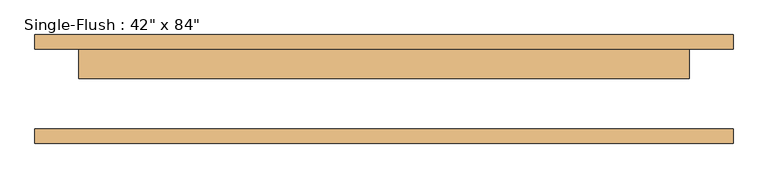
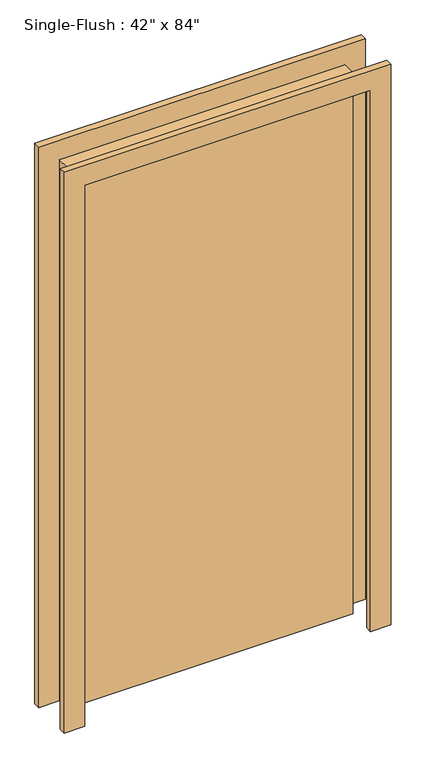
"""IFC4 building model written with IfcOpenShell, lengths in millimetres: door geometry."""

from ifc_helpers import new_model, si_unit, frame, origin, origin_with_axes, place, context, project, spatial, polyline, outline, extrude, source, transform, mapped, element, save


def door_d55f1da7(model_context):
    return source(origin(), model_context, "Body", "SweptSolid", [
        extrude(outline(polyline([(2209.8, -609.6), (0.0, -609.6), (0.0, -533.4), (2133.6, -533.4), (2133.6, 533.4), (0.0, 533.4), (0.0, 609.6), (2209.8, 609.6), (2209.8, -609.6)])), frame((0.0, 69.85, 0.0), z_axis=(0.0, 1.0, 0.0), x_axis=(0.0, 0.0, 1.0)), (0.0, 0.0, 1.0), 25.4),
        extrude(outline(polyline([(2209.8, 609.6), (2209.8, -609.6), (0.0, -609.6), (0.0, -533.4), (2133.6, -533.4), (2133.6, 533.4), (0.0, 533.4), (0.0, 609.6), (2209.8, 609.6)])), frame((0.0, -95.25, 0.0), z_axis=(0.0, 1.0, 0.0), x_axis=(0.0, 0.0, 1.0)), (0.0, 0.0, 1.0), 25.4),
        extrude(outline(polyline([(533.4, 19.05), (-533.4, 19.05), (-533.4, 69.85), (533.4, 69.85), (533.4, 19.05)])), origin_with_axes(), (0.0, 0.0, 1.0), 2133.6),
    ])


if __name__ == "__main__":
    model = new_model("IFC4")
    model_context = context("Model", 3, world=origin())
    ifc_project = project(units=[si_unit("LENGTHUNIT", "METRE", prefix="MILLI")], contexts=[model_context])
    site = spatial("IfcSite", under=ifc_project)
    building = spatial("IfcBuilding", under=site)
    placement = place(None, origin())
    door_shape = door_d55f1da7(model_context)
    element("IfcDoor", 1, ObjectType="Single-Flush : 42\" x 84\"", at=placement, inside=building, context=model_context, shape_type="MappedRepresentation", body=[
        mapped(door_shape, transform((0.0, 0.0, 0.0), x_axis=(1.0, 0.0, 0.0), y_axis=(0.0, 1.0, 0.0), z_axis=(0.0, 0.0, 1.0))),
    ])
    save(model, "model.ifc")
